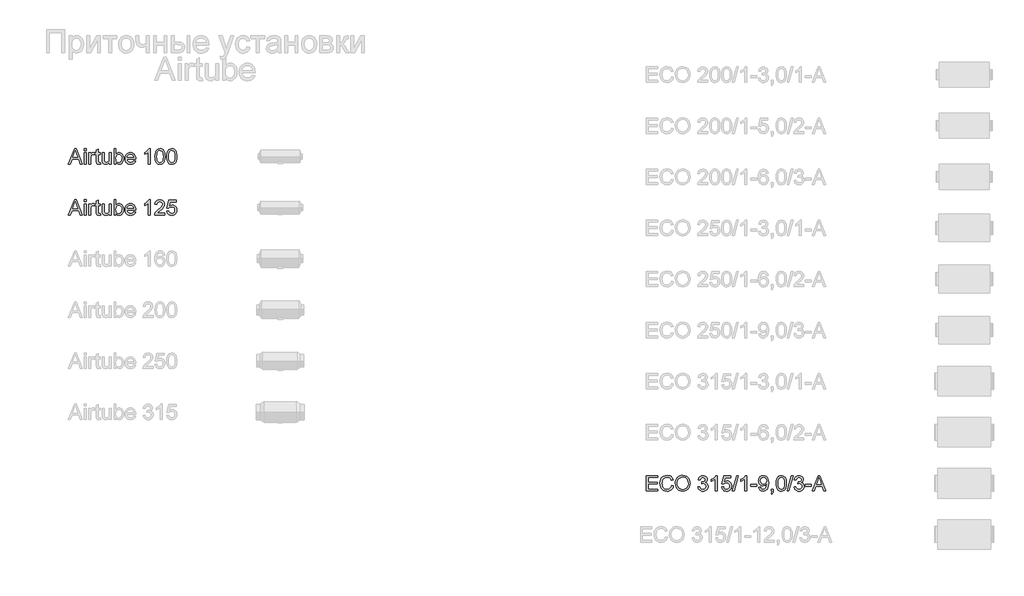
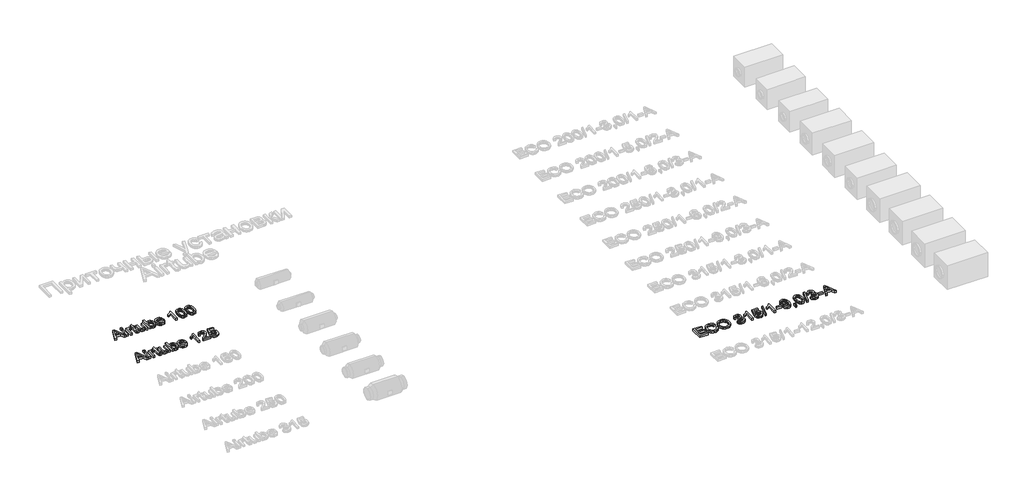
# One storey, part 28 of 74: 3 proxies.
"""IFC4 building model written with IfcOpenShell, lengths in millimetres."""

from ifc_helpers import new_model, si_unit, origin, origin_with_axes, place, context, project, spatial, polyline, outline, extrude, element, save

model = new_model("IFC4")

# Units and contexts
model_context = context("Model", 3, world=origin())
ifc_project = project(units=[si_unit("LENGTHUNIT", "METRE", prefix="MILLI")], contexts=[model_context])

# Site, building, storey
site = spatial("IfcSite", under=ifc_project)
building = spatial("IfcBuilding", under=site)
storey = spatial("IfcBuildingStorey", under=building, Elevation=0.0)

# Proxies
placement = place(None, origin())
element("IfcBuildingElementProxy", 1, Name="Generic Models", at=placement, inside=storey, context=model_context, shape_type="SweptSolid", body=[
    extrude(outline(polyline([(11765.719536, -15906.2904473), (11765.719536, -15604.9215169), (11982.3284547, -15604.9215169), (11982.3284547, -15642.5926332), (11803.3906523, -15642.5926332), (11803.3906523, -15732.0615344), (11972.9106757, -15732.0615344), (11972.9106757, -15769.7326507), (11803.3906523, -15769.7326507), (11803.3906523, -15868.619331), (11987.0373443, -15868.619331), (11987.0373443, -15906.2904473), (11765.719536, -15906.2904473)])), origin_with_axes(), (0.0, 0.0, 1.0), 50.0),
    extrude(outline(polyline([(12255.444048, -15799.1632103), (12293.1151643, -15808.875295), (12285.6609553, -15832.3024803), (12275.73274, -15852.7728141), (12263.3305182, -15870.2862963), (12248.4542901, -15884.842927), (12231.4397478, -15896.2863563), (12212.6225837, -15904.4602344), (12192.0027979, -15909.3645613), (12169.5803903, -15910.9993369), (12125.8852063, -15906.051324), (12091.1847371, -15891.2072855), (12064.5868689, -15866.9822562), (12045.1994877, -15833.8912707), (12033.3628845, -15794.9877497), (12029.4173501, -15753.3251137), (12033.8779193, -15709.3816094), (12047.2596269, -15671.4345816), (12068.8634971, -15640.6888439), (12097.990554, -15618.3492097), (12132.5346734, -15604.7467729), (12170.3897307, -15600.2126274), (12211.6936817, -15606.0803452), (12229.6624179, -15613.4149925), (12245.8423279, -15623.6834986), (12259.9666972, -15636.6145508), (12271.7688115, -15651.9368359), (12288.4062747, -15689.755105), (12250.7351584, -15698.7314257), (12237.6753476, -15671.2598377), (12219.8330708, -15652.4150825), (12196.9875989, -15641.5165784), (12168.9182027, -15637.8837437), (12136.5629812, -15641.9120515), (12109.9835071, -15653.996975), (12089.8143767, -15672.8693214), (12076.6901865, -15697.2598977), (12069.4888964, -15724.8326532), (12067.0884664, -15753.2515373), (12069.9303548, -15788.0531741), (12078.4560201, -15818.1459213), (12092.9873589, -15842.3801477), (12113.846268, -15859.6062222), (12138.8530466, -15869.897721), (12165.8279939, -15873.3282206), (12197.2727075, -15868.6561192), (12223.4751026, -15854.6398152), (12243.2579569, -15831.4264613), (12255.444048, -15799.1632103)])), origin_with_axes(), (0.0, 0.0, 1.0), 50.0),
    extrude(outline(polyline([(12330.7862806, -15759.5791077), (12333.2970752, -15724.2302465), (12340.829459, -15692.9372842), (12353.3834321, -15665.700221), (12370.9589944, -15642.5190568), (12392.5030838, -15624.0099939), (12416.9626379, -15610.7892347), (12444.3376569, -15602.8567792), (12474.6281407, -15600.2126274), (12514.1570611, -15605.1790343), (12549.6024913, -15620.0782551), (12579.0330509, -15643.8618261), (12600.5173594, -15675.4812836), (12613.6507467, -15713.4099173), (12618.0285424, -15756.1210169), (12613.4208204, -15799.4023336), (12599.5976544, -15837.8643962), (12577.3223996, -15869.539036), (12547.3584111, -15892.4580843), (12512.2164835, -15906.3640237), (12474.4074115, -15910.9993369), (12434.2714858, -15905.8765801), (12398.6237205, -15890.5083097), (12369.2667373, -15866.2832804), (12348.0031579, -15834.5902465), (12335.0904999, -15798.1239437), (12330.7862806, -15759.5791077)]), holes=[polyline([(12368.4573969, -15759.9469897), (12370.3404928, -15784.9215786), (12375.9897807, -15807.0910673), (12385.4052605, -15826.4554559), (12398.5869323, -15843.0147442), (12414.6104924, -15856.2768901), (12432.5516375, -15865.7498515), (12452.4103674, -15871.4336283), (12474.1866823, -15873.3282206), (12496.3354777, -15871.4152342), (12516.4287324, -15865.6762751), (12534.4664465, -15856.1113432), (12550.4486199, -15842.7204386), (12563.5337226, -15825.8116624), (12572.8802245, -15805.6931158), (12578.4881257, -15782.3647987), (12580.3574261, -15755.8267113), (12577.1568527, -15722.4782085), (12567.5551327, -15693.6546541), (12551.8005862, -15670.0826153), (12530.1415338, -15652.4886589), (12504.0127151, -15641.5349725), (12474.8488699, -15637.8837437), (12453.8290124, -15639.6426794), (12434.3266681, -15644.9194868), (12416.3418371, -15653.7141658), (12399.8745193, -15666.0267163), (12386.1295282, -15682.4503481), (12376.3116775, -15703.5782709), (12370.420967, -15729.4104848), (12368.4573969, -15759.9469897)])]), origin_with_axes(), (0.0, 0.0, 1.0), 50.0),
    extrude(outline(polyline([(12773.4218972, -15826.2393252), (12811.0930135, -15821.5304357), (12819.5267082, -15845.203642), (12831.8783462, -15861.1881147), (12848.7549327, -15870.2931941), (12870.7634731, -15873.3282206), (12896.5887892, -15869.1527599), (12916.5279933, -15856.626378), (12929.2751044, -15837.9379726), (12933.5241415, -15815.2764417), (12929.3118926, -15793.7645421), (12916.6751461, -15776.3177384), (12897.5452823, -15764.7570467), (12873.8536819, -15760.9034828), (12847.4397546, -15765.0237612), (12851.6336093, -15727.3526449), (12857.6668741, -15727.7941033), (12880.2364345, -15725.0901706), (12900.4147619, -15716.9783726), (12914.6517951, -15703.2563742), (12919.3974729, -15683.7218403), (12915.9577762, -15667.452259), (12905.6386862, -15654.2544924), (12889.8933368, -15645.508098), (12870.1748619, -15642.5926332), (12850.4195988, -15645.5356892), (12834.2695792, -15654.364857), (12822.4789612, -15669.0801369), (12815.801903, -15689.6815286), (12778.1307867, -15684.972639), (12789.2224289, -15651.1458896), (12808.9592979, -15625.8907906), (12835.9618363, -15610.1638353), (12868.8504867, -15604.9215169), (12892.5328902, -15607.5058879), (12914.2839131, -15615.259001), (12932.6228306, -15627.4910773), (12946.0689175, -15643.5123382), (12954.3186712, -15661.9708173), (12957.0685892, -15681.5145483), (12954.456627, -15699.724707), (12946.6207405, -15716.2426086), (12933.6712943, -15730.3140949), (12915.7186529, -15741.1850079), (12939.2998888, -15750.7131516), (12956.7742836, -15766.9367476), (12967.5900142, -15788.9728791), (12971.1952578, -15815.9386293), (12969.392636, -15835.050099), (12963.9847707, -15852.6532524), (12954.9716618, -15868.7480897), (12942.3533094, -15883.3346108), (12926.9804405, -15895.4379285), (12909.7037823, -15904.0831554), (12890.5233348, -15909.2702915), (12869.4390979, -15910.9993369), (12850.3828106, -15909.5232104), (12833.0187804, -15905.0948309), (12817.3470074, -15897.7141983), (12803.3674916, -15887.3813128), (12791.6458515, -15874.7031795), (12782.7477057, -15860.2868038), (12776.6730543, -15844.1321857), (12773.4218972, -15826.2393252)])), origin_with_axes(), (0.0, 0.0, 1.0), 50.0),
    extrude(outline(polyline([(13145.4241707, -15906.2904473), (13107.7530544, -15906.2904473), (13107.7530544, -15671.4345816), (13072.0685009, -15696.8552275), (13032.4108218, -15715.8747266), (13032.4108218, -15680.2637495), (13061.9977312, -15664.1689122), (13087.6299092, -15645.0206544), (13107.8358278, -15624.6583859), (13121.143959, -15604.9215169), (13145.4241707, -15604.9215169), (13145.4241707, -15906.2904473)])), origin_with_axes(), (0.0, 0.0, 1.0), 50.0),
    extrude(outline(polyline([(13234.8930719, -15826.2393252), (13272.5641882, -15821.5304357), (13279.4803697, -15844.1459813), (13291.5468992, -15860.3419861), (13308.7085942, -15870.081662), (13330.9102727, -15873.3282206), (13357.9128111, -15868.8124691), (13378.1463208, -15855.2652146), (13390.7830674, -15834.2499556), (13394.9953162, -15807.3301906), (13391.0497818, -15781.9831212), (13379.2131786, -15762.59574), (13359.3935361, -15750.2900873), (13331.4988839, -15746.188203), (13313.2243457, -15747.8252779), (13298.4262925, -15752.7365026), (13277.2730778, -15769.7326507), (13239.6019615, -15765.0237612), (13272.5641882, -15609.6304064), (13418.5397639, -15609.6304064), (13418.5397639, -15647.3015227), (13303.0248174, -15647.3015227), (13286.911586, -15730.2957008), (13313.822154, -15713.9617403), (13342.0203089, -15708.5170867), (13360.3661242, -15710.2047454), (13377.2174188, -15715.2677213), (13392.5741928, -15723.7060146), (13406.4364463, -15735.5196252), (13417.9120653, -15749.9865846), (13426.108936, -15766.3849246), (13431.0270584, -15784.714645), (13432.6664325, -15804.9757459), (13426.7619265, -15842.6468622), (13419.381294, -15859.4406753), (13409.0484084, -15874.873325), (13393.3950295, -15890.6784552), (13375.1296885, -15901.9678339), (13354.2523853, -15908.7414611), (13330.7631199, -15910.9993369), (13293.7633882, -15905.1959984), (13278.0847174, -15897.9418253), (13264.2868433, -15887.785983), (13252.8066258, -15875.2343092), (13244.0809247, -15860.7926416), (13234.8930719, -15826.2393252)])), origin_with_axes(), (0.0, 0.0, 1.0), 50.0),
    extrude(outline(polyline([(13446.7931011, -15906.2904473), (13531.5531128, -15604.9215169), (13565.5454092, -15604.9215169), (13480.7853975, -15906.2904473), (13446.7931011, -15906.2904473)])), origin_with_axes(), (0.0, 0.0, 1.0), 50.0),
    extrude(outline(polyline([(13724.6175839, -15906.2904473), (13686.9464676, -15906.2904473), (13686.9464676, -15671.4345816), (13651.2619141, -15696.8552275), (13611.604235, -15715.8747266), (13611.604235, -15680.2637495), (13641.1911444, -15664.1689122), (13666.8233225, -15645.0206544), (13687.029241, -15624.6583859), (13700.3373722, -15604.9215169), (13724.6175839, -15604.9215169), (13724.6175839, -15906.2904473)])), origin_with_axes(), (0.0, 0.0, 1.0), 50.0),
    extrude(outline(polyline([(13804.668706, -15816.8215461), (13804.668706, -15779.1504298), (13922.3909445, -15779.1504298), (13922.3909445, -15816.8215461), (13804.668706, -15816.8215461)])), origin_with_axes(), (0.0, 0.0, 1.0), 50.0),
    extrude(outline(polyline([(13960.0620608, -15830.9482147), (13997.7331771, -15826.2393252), (14004.171112, -15847.6224662), (14014.6557489, -15862.1813961), (14028.9295703, -15870.5415145), (14046.7350589, -15873.3282206), (14062.7103345, -15871.5347958), (14077.2324763, -15866.1545217), (14089.2990057, -15857.7760092), (14097.9074444, -15846.9878697), (14110.2314912, -15814.2463721), (14115.6761448, -15770.5419911), (14115.4554156, -15763.1843512), (14102.4048018, -15779.1136416), (14085.3258802, -15791.731994), (14065.4510554, -15799.9541566), (14044.0127321, -15802.6948775), (14026.1175723, -15801.0210144), (14009.6617508, -15795.9994252), (13994.6452676, -15787.6301098), (13981.0681227, -15775.9130682), (13969.8178315, -15761.4599044), (13961.7819091, -15744.882222), (13956.9603557, -15726.180021), (13955.3531713, -15705.3533016), (13957.0385307, -15683.8322049), (13962.0946088, -15664.5184001), (13970.5214058, -15647.4118873), (13982.3189215, -15632.5126665), (13996.654823, -15620.4415386), (14012.6967773, -15611.8193043), (14030.4447843, -15606.6459637), (14049.898844, -15604.9215169), (14077.9958314, -15608.8578542), (14103.5728271, -15620.6668663), (14124.9651651, -15639.7599418), (14140.5081794, -15665.5484697), (14149.9719438, -15701.196235), (14153.1265319, -15749.867023), (14149.9811408, -15801.4716699), (14140.5449676, -15841.3592752), (14124.9007858, -15871.3324607), (14103.1313687, -15893.1938483), (14076.1748155, -15906.5479647), (14044.9692253, -15910.9993369), (14012.7611566, -15905.7478214), (13987.0645993, -15889.993275), (13969.0935638, -15864.7289789), (13960.0620608, -15830.9482147)]), holes=[polyline([(14115.4554156, -15704.4703848), (14111.3903195, -15678.9393743), (14099.1950314, -15659.2944758), (14080.2675027, -15646.7680938), (14056.0056852, -15642.5926332), (14030.8425567, -15647.0899906), (14010.6826233, -15660.5820628), (13997.4388715, -15681.2294397), (13993.0242876, -15707.1927116), (13997.1997482, -15730.4704448), (14009.7261302, -15748.947318), (14029.3894228, -15761.0046504), (14054.9756156, -15765.0237612), (14079.0442951, -15761.0046504), (14098.4224792, -15748.947318), (14111.1971815, -15729.7898631), (14115.4554156, -15704.4703848)])]), origin_with_axes(), (0.0, 0.0, 1.0), 50.0),
    extrude(outline(polyline([(14204.9243168, -15906.2904473), (14204.9243168, -15868.619331), (14242.5954331, -15868.619331), (14242.5954331, -15906.2904473), (14240.9031759, -15927.8391352), (14235.8264044, -15944.8076922), (14227.0708129, -15957.8215178), (14214.3420959, -15967.5060113), (14204.9243168, -15953.3793427), (14213.0912971, -15946.5551317), (14218.7566798, -15937.1189585), (14223.6862986, -15906.2904473), (14204.9243168, -15906.2904473)])), origin_with_axes(), (0.0, 0.0, 1.0), 50.0),
    extrude(outline(polyline([(14303.8109971, -15758.0340033), (14306.5793091, -15709.7954767), (14314.8842452, -15671.324217), (14328.6430318, -15642.0316132), (14347.7728955, -15621.3290539), (14372.4117922, -15609.0234011), (14402.6976774, -15604.9215169), (14425.9110313, -15607.3495381), (14446.696364, -15614.6336016), (14464.0787883, -15626.4885989), (14477.0834168, -15642.6294214), (14486.9058661, -15662.9181134), (14494.7417526, -15687.2167192), (14499.8737064, -15718.0728216), (14501.5843577, -15758.0340033), (14498.8436368, -15805.9966184), (14490.6214743, -15844.3759076), (14476.9454611, -15873.6961026), (14457.8431885, -15894.4814353), (14433.1491096, -15906.8698615), (14402.6976774, -15910.9993369), (14381.9491329, -15909.2059122), (14363.5550331, -15903.825638), (14347.5153781, -15894.8585143), (14333.8301679, -15882.3045413), (14320.6967807, -15859.6108207), (14311.3157898, -15831.3344908), (14305.6871953, -15797.4755517), (14303.8109971, -15758.0340033)]), holes=[polyline([(14341.4821134, -15757.9604269), (14345.8966974, -15817.2170193), (14351.4149273, -15837.4850179), (14359.1404492, -15851.5128183), (14378.8589241, -15867.87437), (14402.6976774, -15873.3282206), (14426.5364307, -15867.8559759), (14446.2549056, -15851.4392419), (14453.9804275, -15837.3884489), (14459.4986575, -15817.1250488), (14463.9132414, -15757.9604269), (14459.6458103, -15700.0374067), (14454.3115213, -15679.8360867), (14446.8435168, -15665.4748933), (14427.1618301, -15648.3131982), (14402.256219, -15642.5926332), (14378.6749831, -15647.6326165), (14359.7290604, -15662.7525665), (14351.7460211, -15678.3875513), (14346.0438501, -15699.4671897), (14341.4821134, -15757.9604269)])]), origin_with_axes(), (0.0, 0.0, 1.0), 50.0),
    extrude(outline(polyline([(14515.7110263, -15906.2904473), (14600.471038, -15604.9215169), (14634.4633344, -15604.9215169), (14549.7033227, -15906.2904473), (14515.7110263, -15906.2904473)])), origin_with_axes(), (0.0, 0.0, 1.0), 50.0),
    extrude(outline(polyline([(14652.2688229, -15826.2393252), (14689.9399392, -15821.5304357), (14698.373634, -15845.203642), (14710.725272, -15861.1881147), (14727.6018585, -15870.2931941), (14749.6103989, -15873.3282206), (14775.4357149, -15869.1527599), (14795.3749191, -15856.626378), (14808.1220302, -15837.9379726), (14812.3710672, -15815.2764417), (14808.1588184, -15793.7645421), (14795.5220719, -15776.3177384), (14776.3922081, -15764.7570467), (14752.7006076, -15760.9034828), (14726.2866804, -15765.0237612), (14730.4805351, -15727.3526449), (14736.5137998, -15727.7941033), (14759.0833602, -15725.0901706), (14779.2616877, -15716.9783726), (14793.4987209, -15703.2563742), (14798.2443986, -15683.7218403), (14794.804702, -15667.452259), (14784.485612, -15654.2544924), (14768.7402626, -15645.508098), (14749.0217877, -15642.5926332), (14729.2665245, -15645.5356892), (14713.1165049, -15654.364857), (14701.325887, -15669.0801369), (14694.6488288, -15689.6815286), (14656.9777125, -15684.972639), (14668.0693546, -15651.1458896), (14687.8062237, -15625.8907906), (14714.8087621, -15610.1638353), (14747.6974125, -15604.9215169), (14771.3798159, -15607.5058879), (14793.1308389, -15615.259001), (14811.4697563, -15627.4910773), (14824.9158433, -15643.5123382), (14833.165597, -15661.9708173), (14835.9155149, -15681.5145483), (14833.3035528, -15699.724707), (14825.4676663, -15716.2426086), (14812.51822, -15730.3140949), (14794.5655787, -15741.1850079), (14818.1468146, -15750.7131516), (14835.6212093, -15766.9367476), (14846.43694, -15788.9728791), (14850.0421835, -15815.9386293), (14848.2395618, -15835.050099), (14842.8316964, -15852.6532524), (14833.8185876, -15868.7480897), (14821.2002351, -15883.3346108), (14805.8273662, -15895.4379285), (14788.550708, -15904.0831554), (14769.3702605, -15909.2702915), (14748.2860237, -15910.9993369), (14729.2297363, -15909.5232104), (14711.8657062, -15905.0948309), (14696.1939332, -15897.7141983), (14682.2144173, -15887.3813128), (14670.4927773, -15874.7031795), (14661.5946315, -15860.2868038), (14655.5199801, -15844.1321857), (14652.2688229, -15826.2393252)])), origin_with_axes(), (0.0, 0.0, 1.0), 50.0),
    extrude(outline(polyline([(14873.5866312, -15816.8215461), (14873.5866312, -15779.1504298), (14991.3088697, -15779.1504298), (14991.3088697, -15816.8215461), (14873.5866312, -15816.8215461)])), origin_with_axes(), (0.0, 0.0, 1.0), 50.0),
    extrude(outline(polyline([(15003.3018227, -15906.2904473), (15123.5992352, -15604.9215169), (15155.6785451, -15604.9215169), (15275.9759576, -15906.2904473), (15236.1711257, -15906.2904473), (15201.6637945, -15812.1126566), (15077.5404094, -15812.1126566), (15043.1066546, -15906.2904473), (15003.3018227, -15906.2904473)]), holes=[polyline([(15091.3727724, -15774.4415403), (15187.9050079, -15774.4415403), (15160.7553167, -15700.3501064), (15139.6388901, -15642.5926332), (15120.8769084, -15693.8753833), (15091.3727724, -15774.4415403)])]), origin_with_axes(), (0.0, 0.0, 1.0), 50.0),
])
element("IfcBuildingElementProxy", 2, Name="Generic Models", at=placement, inside=storey, context=model_context, shape_type="SweptSolid", body=[
    extrude(outline(polyline([(459.3114691, -9506.2904473), (579.6088816, -9204.9215169), (611.6881916, -9204.9215169), (731.985604, -9506.2904473), (692.1807721, -9506.2904473), (657.6734409, -9412.1126566), (533.5500558, -9412.1126566), (499.116301, -9506.2904473), (459.3114691, -9506.2904473)]), holes=[polyline([(547.3824188, -9374.4415403), (643.9146543, -9374.4415403), (616.7649631, -9300.3501064), (595.6485366, -9242.5926332), (576.8865548, -9293.8753833), (547.3824188, -9374.4415403)])]), origin_with_axes(), (0.0, 0.0, 1.0), 50.0),
    extrude(outline(polyline([(767.5230047, -9242.5926332), (767.5230047, -9204.9215169), (805.194121, -9204.9215169), (805.194121, -9242.5926332), (767.5230047, -9242.5926332)])), origin_with_axes(), (0.0, 0.0, 1.0), 50.0),
    extrude(outline(polyline([(767.5230047, -9506.2904473), (767.5230047, -9284.972639), (805.194121, -9284.972639), (805.194121, -9506.2904473), (767.5230047, -9506.2904473)])), origin_with_axes(), (0.0, 0.0, 1.0), 50.0),
    extrude(outline(polyline([(861.7007955, -9506.2904473), (861.7007955, -9284.972639), (894.6630222, -9284.972639), (894.6630222, -9317.7141366), (906.8399163, -9298.7314257), (918.0603171, -9287.547813), (929.3175062, -9282.0847654), (941.6047648, -9280.2637495), (960.3667466, -9283.1700173), (979.4230339, -9291.8888206), (966.8414697, -9325.6603877), (953.5977179, -9319.8662463), (940.353966, -9317.9348658), (929.105974, -9319.7926699), (919.0535985, -9325.3660821), (910.9326035, -9334.2320382), (905.4787529, -9345.9674738), (900.8986221, -9367.010324), (899.3719118, -9389.9661605), (899.3719118, -9506.2904473), (861.7007955, -9506.2904473)])), origin_with_axes(), (0.0, 0.0, 1.0), 50.0),
    extrude(outline(polyline([(1083.0186038, -9474.873325), (1087.7274933, -9507.3940933), (1059.5477325, -9510.9993369), (1041.4663324, -9509.4358384), (1027.9834573, -9504.745343), (1018.4553136, -9497.5164618), (1012.2381079, -9488.337806), (1008.8168053, -9472.5740625), (1007.6763712, -9445.5899181), (1007.6763712, -9322.6437553), (979.4230339, -9322.6437553), (979.4230339, -9284.972639), (1007.6763712, -9284.972639), (1007.6763712, -9231.1882913), (1045.3474875, -9209.0417952), (1045.3474875, -9284.972639), (1083.0186038, -9284.972639), (1083.0186038, -9322.6437553), (1045.3474875, -9322.6437553), (1045.3474875, -9444.4862722), (1047.3340502, -9463.9104415), (1053.7719852, -9470.7898348), (1066.6110668, -9473.3282206), (1083.0186038, -9474.873325)])), origin_with_axes(), (0.0, 0.0, 1.0), 50.0),
    extrude(outline(polyline([(1261.9564062, -9506.2904473), (1261.9564062, -9468.251449), (1248.3263783, -9486.95365), (1232.4522702, -9500.3123649), (1214.3340819, -9508.3275939), (1193.9718135, -9510.9993369), (1175.623699, -9509.1231387), (1158.5447774, -9503.4945442), (1144.2157737, -9495.0332583), (1134.1174129, -9484.658986), (1122.897012, -9456.9206836), (1120.6897201, -9421.8983176), (1120.6897201, -9284.972639), (1158.3608364, -9284.972639), (1158.3608364, -9404.1664055), (1160.6417048, -9442.5732858), (1166.1323435, -9455.3847763), (1175.5409256, -9465.1244521), (1188.2420514, -9471.2772784), (1203.6103218, -9473.3282206), (1219.8615089, -9471.2312932), (1235.0642324, -9464.9405111), (1247.5998114, -9455.0352884), (1255.8495651, -9442.0950392), (1260.4296959, -9424.3723241), (1261.9564062, -9400.1197035), (1261.9564062, -9284.972639), (1299.6275225, -9284.972639), (1299.6275225, -9506.2904473), (1261.9564062, -9506.2904473)])), origin_with_axes(), (0.0, 0.0, 1.0), 50.0),
    extrude(outline(polyline([(1389.0964238, -9506.2904473), (1351.4253075, -9506.2904473), (1351.4253075, -9204.9215169), (1389.0964238, -9204.9215169), (1389.0964238, -9316.684067), (1401.4848499, -9300.7501781), (1415.4735628, -9289.3688289), (1431.0625624, -9282.5400193), (1448.2518486, -9280.2637495), (1467.6576238, -9282.3146916), (1485.9965413, -9288.467518), (1502.2201373, -9298.3359525), (1515.2799481, -9311.5337191), (1525.5162646, -9327.932059), (1533.2693777, -9347.4022136), (1538.1530112, -9369.1348425), (1539.780889, -9392.3206052), (1538.0955296, -9419.0748233), (1533.0394514, -9442.610074), (1524.6126545, -9462.9263572), (1512.8151387, -9480.0236729), (1498.6539812, -9493.5755259), (1483.1362588, -9503.2554209), (1466.2619715, -9509.0633579), (1448.0311194, -9510.9993369), (1430.2762146, -9508.5023378), (1414.5354637, -9501.0113407), (1400.8088668, -9488.5263455), (1389.0964238, -9471.0473522), (1389.0964238, -9506.2904473)]), holes=[polyline([(1389.0964238, -9394.0864388), (1391.6715977, -9425.5035612), (1399.3971196, -9446.7671405), (1408.5251916, -9458.387613), (1419.1339887, -9466.6879506), (1431.2235107, -9471.6681531), (1444.7937578, -9473.3282206), (1466.5355837, -9468.43539), (1485.1136245, -9453.7568984), (1497.8607356, -9429.3847162), (1502.1097727, -9395.410814), (1498.0354796, -9360.940271), (1485.8126003, -9336.8440004), (1467.8139737, -9322.6621494), (1446.4124386, -9317.9348658), (1424.6706127, -9322.8276963), (1406.0925719, -9337.506188), (1393.3454608, -9361.4369117), (1389.0964238, -9394.0864388)])]), origin_with_axes(), (0.0, 0.0, 1.0), 50.0),
    extrude(outline(polyline([(1737.1127912, -9440.3659938), (1774.0481435, -9445.0748833), (1760.7400123, -9472.9051563), (1739.5040242, -9493.7088831), (1710.8184256, -9506.6767234), (1675.1614632, -9510.9993369), (1651.7871609, -9509.134635), (1630.9604415, -9503.5405294), (1612.6813049, -9494.2170201), (1596.949751, -9481.1641071), (1584.2992089, -9464.7450738), (1575.2631074, -9445.3232037), (1569.8414465, -9422.8984968), (1568.0342262, -9397.4709532), (1569.8598406, -9371.1811861), (1575.3366838, -9348.0092189), (1584.4647558, -9327.9550517), (1597.2440566, -9311.0186843), (1612.9342237, -9297.5634003), (1630.7948946, -9287.9524832), (1650.8260692, -9282.1859329), (1673.0277476, -9280.2637495), (1694.5143554, -9282.1813344), (1713.9454225, -9287.9340891), (1731.320949, -9297.5220136), (1746.6409349, -9310.9451079), (1759.1466234, -9327.8446871), (1768.0792581, -9347.8620661), (1773.438839, -9370.9972451), (1775.2253659, -9397.250224), (1775.0046367, -9407.403767), (1605.7053425, -9407.403767), (1612.2260509, -9435.601922), (1627.373592, -9456.3320724), (1649.2349796, -9469.0791835), (1675.8972272, -9473.3282206), (1695.9467959, -9471.3600519), (1712.8325795, -9465.4555459), (1726.5545779, -9455.2468205), (1737.1127912, -9440.3659938)]), holes=[polyline([(1605.7053425, -9369.7326507), (1737.5542496, -9369.7326507), (1732.459084, -9349.8302348), (1722.4710878, -9335.5932016), (1700.5085327, -9322.3494498), (1672.8805948, -9317.9348658), (1647.4875401, -9321.4573359), (1626.4906752, -9332.0247462), (1611.8949571, -9348.4966626), (1605.7053425, -9369.7326507)])]), origin_with_axes(), (0.0, 0.0, 1.0), 50.0),
    extrude(outline(polyline([(2062.4676277, -9506.2904473), (2024.7965114, -9506.2904473), (2024.7965114, -9271.4345816), (1989.1119579, -9296.8552275), (1949.4542788, -9315.8747266), (1949.4542788, -9280.2637495), (1979.0411883, -9264.1689122), (2004.6733663, -9245.0206544), (2024.8792849, -9224.6583859), (2038.187416, -9204.9215169), (2062.4676277, -9204.9215169), (2062.4676277, -9506.2904473)])), origin_with_axes(), (0.0, 0.0, 1.0), 50.0),
    extrude(outline(polyline([(2151.936529, -9358.0340033), (2154.704841, -9309.7954767), (2163.009777, -9271.324217), (2176.7685636, -9242.0316132), (2195.8984274, -9221.3290539), (2220.537324, -9209.0234011), (2250.8232093, -9204.9215169), (2274.0365632, -9207.3495381), (2294.8218959, -9214.6336016), (2312.2043202, -9226.4885989), (2325.2089487, -9242.6294214), (2335.031398, -9262.9181134), (2342.8672845, -9287.2167192), (2347.9992383, -9318.0728216), (2349.7098896, -9358.0340033), (2346.9691687, -9405.9966184), (2338.7470061, -9444.3759076), (2325.0709929, -9473.6961026), (2305.9687203, -9494.4814353), (2281.2746414, -9506.8698615), (2250.8232093, -9510.9993369), (2230.0746647, -9509.2059122), (2211.680565, -9503.825638), (2195.64091, -9494.8585143), (2181.9556998, -9482.3045413), (2168.8223125, -9459.6108207), (2159.4413217, -9431.3344908), (2153.8127271, -9397.4755517), (2151.936529, -9358.0340033)]), holes=[polyline([(2189.6076453, -9357.9604269), (2194.0222292, -9417.2170193), (2199.5404591, -9437.4850179), (2207.265981, -9451.5128183), (2226.984456, -9467.87437), (2250.8232093, -9473.3282206), (2274.6619625, -9467.8559759), (2294.3804375, -9451.4392419), (2302.1059594, -9437.3884489), (2307.6241893, -9417.1250488), (2312.0387733, -9357.9604269), (2307.7713421, -9300.0374067), (2302.4370532, -9279.8360867), (2294.9690487, -9265.4748933), (2275.2873619, -9248.3131982), (2250.3817509, -9242.5926332), (2226.800515, -9247.6326165), (2207.8545922, -9262.7525665), (2199.8715529, -9278.3875513), (2194.169382, -9299.4671897), (2189.6076453, -9357.9604269)])]), origin_with_axes(), (0.0, 0.0, 1.0), 50.0),
    extrude(outline(polyline([(2382.6721163, -9358.0340033), (2385.4404283, -9309.7954767), (2393.7453644, -9271.324217), (2407.504151, -9242.0316132), (2426.6340148, -9221.3290539), (2451.2729114, -9209.0234011), (2481.5587966, -9204.9215169), (2504.7721505, -9207.3495381), (2525.5574833, -9214.6336016), (2542.9399075, -9226.4885989), (2555.9445361, -9242.6294214), (2565.7669853, -9262.9181134), (2573.6028718, -9287.2167192), (2578.7348257, -9318.0728216), (2580.4454769, -9358.0340033), (2577.7047561, -9405.9966184), (2569.4825935, -9444.3759076), (2555.8065803, -9473.6961026), (2536.7043077, -9494.4814353), (2512.0102288, -9506.8698615), (2481.5587966, -9510.9993369), (2460.8102521, -9509.2059122), (2442.4161523, -9503.825638), (2426.3764974, -9494.8585143), (2412.6912871, -9482.3045413), (2399.5578999, -9459.6108207), (2390.176909, -9431.3344908), (2384.5483145, -9397.4755517), (2382.6721163, -9358.0340033)]), holes=[polyline([(2420.3432326, -9357.9604269), (2424.7578166, -9417.2170193), (2430.2760465, -9437.4850179), (2438.0015684, -9451.5128183), (2457.7200433, -9467.87437), (2481.5587966, -9473.3282206), (2505.3975499, -9467.8559759), (2525.1160249, -9451.4392419), (2532.8415468, -9437.3884489), (2538.3597767, -9417.1250488), (2542.7743606, -9357.9604269), (2538.5069295, -9300.0374067), (2533.1726406, -9279.8360867), (2525.7046361, -9265.4748933), (2506.0229493, -9248.3131982), (2481.1173382, -9242.5926332), (2457.5361024, -9247.6326165), (2438.5901796, -9262.7525665), (2430.6071403, -9278.3875513), (2424.9049694, -9299.4671897), (2420.3432326, -9357.9604269)])]), origin_with_axes(), (0.0, 0.0, 1.0), 50.0),
])
element("IfcBuildingElementProxy", 3, Name="Generic Models", at=placement, inside=storey, context=model_context, shape_type="SweptSolid", body=[
    extrude(outline(polyline([(459.3114691, -10506.2904473), (579.6088816, -10204.9215169), (611.6881916, -10204.9215169), (731.985604, -10506.2904473), (692.1807721, -10506.2904473), (657.6734409, -10412.1126566), (533.5500558, -10412.1126566), (499.116301, -10506.2904473), (459.3114691, -10506.2904473)]), holes=[polyline([(547.3824188, -10374.4415403), (643.9146543, -10374.4415403), (616.7649631, -10300.3501064), (595.6485366, -10242.5926332), (576.8865548, -10293.8753833), (547.3824188, -10374.4415403)])]), origin_with_axes(), (0.0, 0.0, 1.0), 50.0),
    extrude(outline(polyline([(767.5230047, -10242.5926332), (767.5230047, -10204.9215169), (805.194121, -10204.9215169), (805.194121, -10242.5926332), (767.5230047, -10242.5926332)])), origin_with_axes(), (0.0, 0.0, 1.0), 50.0),
    extrude(outline(polyline([(767.5230047, -10506.2904473), (767.5230047, -10284.972639), (805.194121, -10284.972639), (805.194121, -10506.2904473), (767.5230047, -10506.2904473)])), origin_with_axes(), (0.0, 0.0, 1.0), 50.0),
    extrude(outline(polyline([(861.7007955, -10506.2904473), (861.7007955, -10284.972639), (894.6630222, -10284.972639), (894.6630222, -10317.7141366), (906.8399163, -10298.7314257), (918.0603171, -10287.547813), (929.3175062, -10282.0847654), (941.6047648, -10280.2637495), (960.3667466, -10283.1700173), (979.4230339, -10291.8888206), (966.8414697, -10325.6603877), (953.5977179, -10319.8662463), (940.353966, -10317.9348658), (929.105974, -10319.7926699), (919.0535985, -10325.3660821), (910.9326035, -10334.2320382), (905.4787529, -10345.9674738), (900.8986221, -10367.010324), (899.3719118, -10389.9661605), (899.3719118, -10506.2904473), (861.7007955, -10506.2904473)])), origin_with_axes(), (0.0, 0.0, 1.0), 50.0),
    extrude(outline(polyline([(1083.0186038, -10474.873325), (1087.7274933, -10507.3940933), (1059.5477325, -10510.9993369), (1041.4663324, -10509.4358384), (1027.9834573, -10504.745343), (1018.4553136, -10497.5164618), (1012.2381079, -10488.337806), (1008.8168053, -10472.5740625), (1007.6763712, -10445.5899181), (1007.6763712, -10322.6437553), (979.4230339, -10322.6437553), (979.4230339, -10284.972639), (1007.6763712, -10284.972639), (1007.6763712, -10231.1882913), (1045.3474875, -10209.0417952), (1045.3474875, -10284.972639), (1083.0186038, -10284.972639), (1083.0186038, -10322.6437553), (1045.3474875, -10322.6437553), (1045.3474875, -10444.4862722), (1047.3340502, -10463.9104415), (1053.7719852, -10470.7898348), (1066.6110668, -10473.3282206), (1083.0186038, -10474.873325)])), origin_with_axes(), (0.0, 0.0, 1.0), 50.0),
    extrude(outline(polyline([(1261.9564062, -10506.2904473), (1261.9564062, -10468.251449), (1248.3263783, -10486.95365), (1232.4522702, -10500.3123649), (1214.3340819, -10508.3275939), (1193.9718135, -10510.9993369), (1175.623699, -10509.1231387), (1158.5447774, -10503.4945442), (1144.2157737, -10495.0332583), (1134.1174129, -10484.658986), (1122.897012, -10456.9206836), (1120.6897201, -10421.8983176), (1120.6897201, -10284.972639), (1158.3608364, -10284.972639), (1158.3608364, -10404.1664055), (1160.6417048, -10442.5732858), (1166.1323435, -10455.3847763), (1175.5409256, -10465.1244521), (1188.2420514, -10471.2772784), (1203.6103218, -10473.3282206), (1219.8615089, -10471.2312932), (1235.0642324, -10464.9405111), (1247.5998114, -10455.0352884), (1255.8495651, -10442.0950392), (1260.4296959, -10424.3723241), (1261.9564062, -10400.1197035), (1261.9564062, -10284.972639), (1299.6275225, -10284.972639), (1299.6275225, -10506.2904473), (1261.9564062, -10506.2904473)])), origin_with_axes(), (0.0, 0.0, 1.0), 50.0),
    extrude(outline(polyline([(1389.0964238, -10506.2904473), (1351.4253075, -10506.2904473), (1351.4253075, -10204.9215169), (1389.0964238, -10204.9215169), (1389.0964238, -10316.684067), (1401.4848499, -10300.7501781), (1415.4735628, -10289.3688289), (1431.0625624, -10282.5400193), (1448.2518486, -10280.2637495), (1467.6576238, -10282.3146916), (1485.9965413, -10288.467518), (1502.2201373, -10298.3359525), (1515.2799481, -10311.5337191), (1525.5162646, -10327.932059), (1533.2693777, -10347.4022136), (1538.1530112, -10369.1348425), (1539.780889, -10392.3206052), (1538.0955296, -10419.0748233), (1533.0394514, -10442.610074), (1524.6126545, -10462.9263572), (1512.8151387, -10480.0236729), (1498.6539812, -10493.5755259), (1483.1362588, -10503.2554209), (1466.2619715, -10509.0633579), (1448.0311194, -10510.9993369), (1430.2762146, -10508.5023378), (1414.5354637, -10501.0113407), (1400.8088668, -10488.5263455), (1389.0964238, -10471.0473522), (1389.0964238, -10506.2904473)]), holes=[polyline([(1389.0964238, -10394.0864388), (1391.6715977, -10425.5035612), (1399.3971196, -10446.7671405), (1408.5251916, -10458.387613), (1419.1339887, -10466.6879506), (1431.2235107, -10471.6681531), (1444.7937578, -10473.3282206), (1466.5355837, -10468.43539), (1485.1136245, -10453.7568984), (1497.8607356, -10429.3847162), (1502.1097727, -10395.410814), (1498.0354796, -10360.940271), (1485.8126003, -10336.8440004), (1467.8139737, -10322.6621494), (1446.4124386, -10317.9348658), (1424.6706127, -10322.8276963), (1406.0925719, -10337.506188), (1393.3454608, -10361.4369117), (1389.0964238, -10394.0864388)])]), origin_with_axes(), (0.0, 0.0, 1.0), 50.0),
    extrude(outline(polyline([(1737.1127912, -10440.3659938), (1774.0481435, -10445.0748833), (1760.7400123, -10472.9051563), (1739.5040242, -10493.7088831), (1710.8184256, -10506.6767234), (1675.1614632, -10510.9993369), (1651.7871609, -10509.134635), (1630.9604415, -10503.5405294), (1612.6813049, -10494.2170201), (1596.949751, -10481.1641071), (1584.2992089, -10464.7450738), (1575.2631074, -10445.3232037), (1569.8414465, -10422.8984968), (1568.0342262, -10397.4709532), (1569.8598406, -10371.1811861), (1575.3366838, -10348.0092189), (1584.4647558, -10327.9550517), (1597.2440566, -10311.0186843), (1612.9342237, -10297.5634003), (1630.7948946, -10287.9524832), (1650.8260692, -10282.1859329), (1673.0277476, -10280.2637495), (1694.5143554, -10282.1813344), (1713.9454225, -10287.9340891), (1731.320949, -10297.5220136), (1746.6409349, -10310.9451079), (1759.1466234, -10327.8446871), (1768.0792581, -10347.8620661), (1773.438839, -10370.9972451), (1775.2253659, -10397.250224), (1775.0046367, -10407.403767), (1605.7053425, -10407.403767), (1612.2260509, -10435.601922), (1627.373592, -10456.3320724), (1649.2349796, -10469.0791835), (1675.8972272, -10473.3282206), (1695.9467959, -10471.3600519), (1712.8325795, -10465.4555459), (1726.5545779, -10455.2468205), (1737.1127912, -10440.3659938)]), holes=[polyline([(1605.7053425, -10369.7326507), (1737.5542496, -10369.7326507), (1732.459084, -10349.8302348), (1722.4710878, -10335.5932016), (1700.5085327, -10322.3494498), (1672.8805948, -10317.9348658), (1647.4875401, -10321.4573359), (1626.4906752, -10332.0247462), (1611.8949571, -10348.4966626), (1605.7053425, -10369.7326507)])]), origin_with_axes(), (0.0, 0.0, 1.0), 50.0),
    extrude(outline(polyline([(2062.4676277, -10506.2904473), (2024.7965114, -10506.2904473), (2024.7965114, -10271.4345816), (1989.1119579, -10296.8552275), (1949.4542788, -10315.8747266), (1949.4542788, -10280.2637495), (1979.0411883, -10264.1689122), (2004.6733663, -10245.0206544), (2024.8792849, -10224.6583859), (2038.187416, -10204.9215169), (2062.4676277, -10204.9215169), (2062.4676277, -10506.2904473)])), origin_with_axes(), (0.0, 0.0, 1.0), 50.0),
    extrude(outline(polyline([(2345.001, -10468.619331), (2345.001, -10506.2904473), (2147.2276394, -10506.2904473), (2151.2743414, -10480.3179785), (2160.5633617, -10460.0200894), (2174.1566015, -10440.3292056), (2193.8198941, -10419.7186168), (2221.3190732, -10396.6616128), (2261.9700337, -10360.553995), (2286.36061, -10333.9009444), (2298.5558981, -10312.2694831), (2302.6209942, -10291.226633), (2298.7858244, -10272.3634837), (2287.280315, -10256.6825136), (2269.5943881, -10246.1151033), (2247.2179657, -10242.5926332), (2223.7195033, -10246.0323299), (2205.4633593, -10256.3514198), (2193.6819384, -10272.7405627), (2189.6076453, -10294.3904181), (2151.936529, -10289.6815286), (2161.0691995, -10253.242817), (2169.6155581, -10238.7068796), (2180.8152656, -10226.6265546), (2194.4108046, -10217.1306006), (2210.1446576, -10210.3477763), (2248.0273061, -10204.9215169), (2268.2171298, -10206.4298331), (2286.185866, -10210.9547816), (2301.9335147, -10218.4963625), (2315.4600758, -10229.0545758), (2326.324091, -10241.8476722), (2334.0841018, -10256.0939024), (2338.7401083, -10271.7932666), (2340.2921105, -10288.9457646), (2338.6182474, -10306.9627853), (2333.5966582, -10324.6671063), (2324.6847168, -10342.67493), (2311.3397975, -10361.6024586), (2290.0670211, -10384.1996102), (2257.3715088, -10413.2163026), (2214.0350097, -10449.4526791), (2197.0388616, -10468.619331), (2345.001, -10468.619331)])), origin_with_axes(), (0.0, 0.0, 1.0), 50.0),
    extrude(outline(polyline([(2382.6721163, -10426.2393252), (2420.3432326, -10421.5304357), (2427.2594141, -10444.1459813), (2439.3259436, -10460.3419861), (2456.4876387, -10470.081662), (2478.6893171, -10473.3282206), (2505.6918555, -10468.8124691), (2525.9253653, -10455.2652146), (2538.5621118, -10434.2499556), (2542.7743606, -10407.3301906), (2538.8288262, -10381.9831212), (2526.992223, -10362.59574), (2507.1725805, -10350.2900873), (2479.2779283, -10346.188203), (2461.0033902, -10347.8252779), (2446.2053369, -10352.7365026), (2425.0521222, -10369.7326507), (2387.3810059, -10365.0237612), (2420.3432326, -10209.6304064), (2566.3188083, -10209.6304064), (2566.3188083, -10247.3015227), (2450.8038618, -10247.3015227), (2434.6906304, -10330.2957008), (2461.6011984, -10313.9617403), (2489.7993533, -10308.5170867), (2508.1451686, -10310.2047454), (2524.9964632, -10315.2677213), (2540.3532373, -10323.7060146), (2554.2154907, -10335.5196252), (2565.6911097, -10349.9865846), (2573.8879804, -10366.3849246), (2578.8061028, -10384.714645), (2580.4454769, -10404.9757459), (2574.5409709, -10442.6468622), (2567.1603384, -10459.4406753), (2556.8274528, -10474.873325), (2541.174074, -10490.6784552), (2522.9087329, -10501.9678339), (2502.0314297, -10508.7414611), (2478.5421643, -10510.9993369), (2441.5424326, -10505.1959984), (2425.8637618, -10497.9418253), (2412.0658877, -10487.785983), (2400.5856702, -10475.2343092), (2391.8599692, -10460.7926416), (2382.6721163, -10426.2393252)])), origin_with_axes(), (0.0, 0.0, 1.0), 50.0),
])

save(model, "model.ifc")
